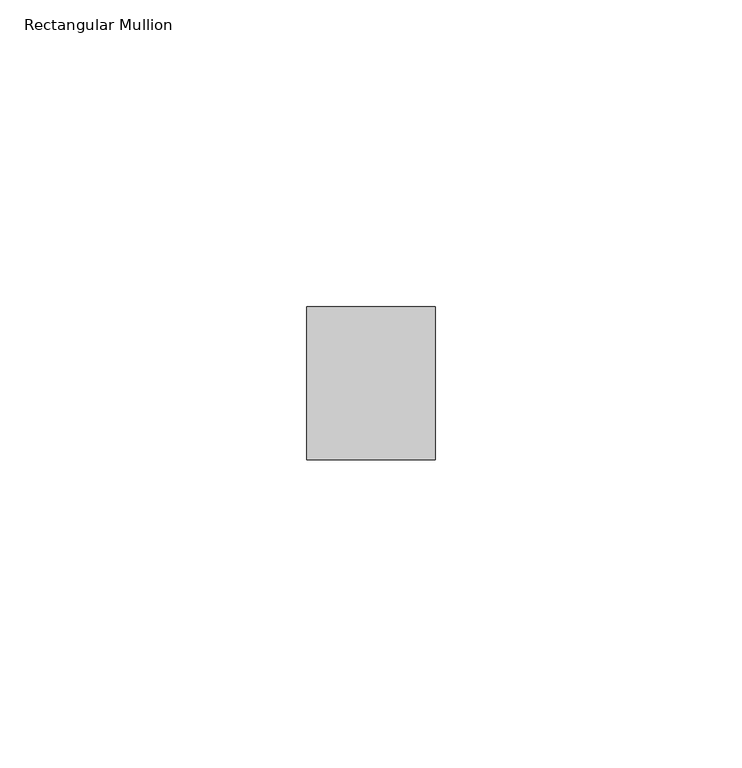
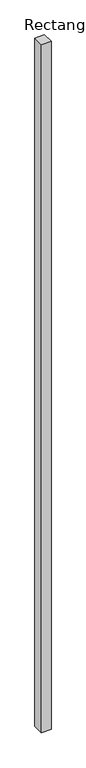
"""IFC4 building model written with IfcOpenShell, lengths in millimetres: member geometry, Rectangular Mullion."""

from ifc_helpers import new_model, si_unit, frame, origin, place, context, project, spatial, polyline, outline, extrude, source, transform, mapped, element, save


def rectangular_mullion_34d35fc3(model_context):
    return source(origin(), model_context, "Body", "SweptSolid", [
        extrude(outline(polyline([(0.0, 44.5), (0.0, 19.5), (-21.0, 19.5), (-21.0, 44.5), (0.0, 44.5)])), frame((0.0, 0.0, -1599.9999998), z_axis=(0.0, 0.0, 1.0), x_axis=(1.0, 0.0, 0.0)), (0.0, 0.0, 1.0), 1599.9999998),
    ])


if __name__ == "__main__":
    model = new_model("IFC4")
    model_context = context("Model", 3, world=origin())
    ifc_project = project(units=[si_unit("LENGTHUNIT", "METRE", prefix="MILLI")], contexts=[model_context])
    site = spatial("IfcSite", under=ifc_project)
    building = spatial("IfcBuilding", under=site)
    placement = place(None, origin())
    rectangular_mullion_shape = rectangular_mullion_34d35fc3(model_context)
    element("IfcMember", 1, ObjectType="Rectangular Mullion", at=placement, inside=building, context=model_context, shape_type="MappedRepresentation", body=[
        mapped(rectangular_mullion_shape, transform((0.0, 0.0, 0.0), x_axis=(1.0, 0.0, 0.0), y_axis=(0.0, 1.0, 0.0), z_axis=(0.0, 0.0, 1.0))),
    ])
    save(model, "model.ifc")
